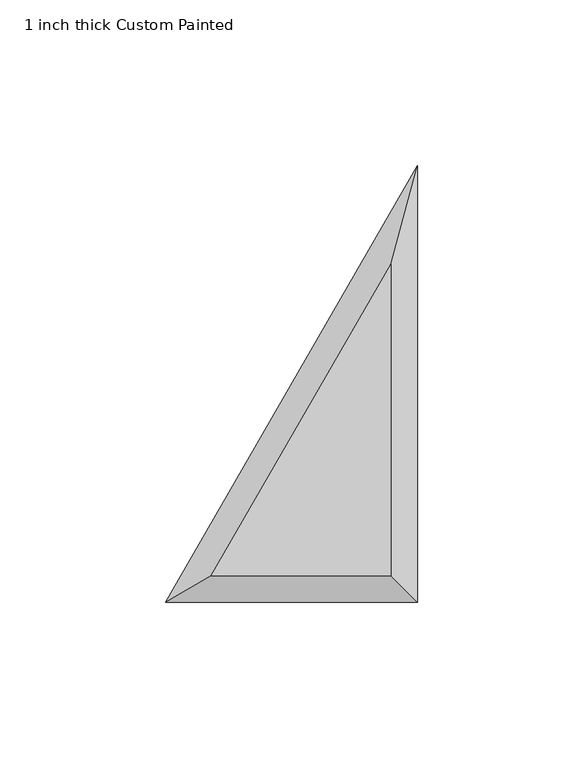
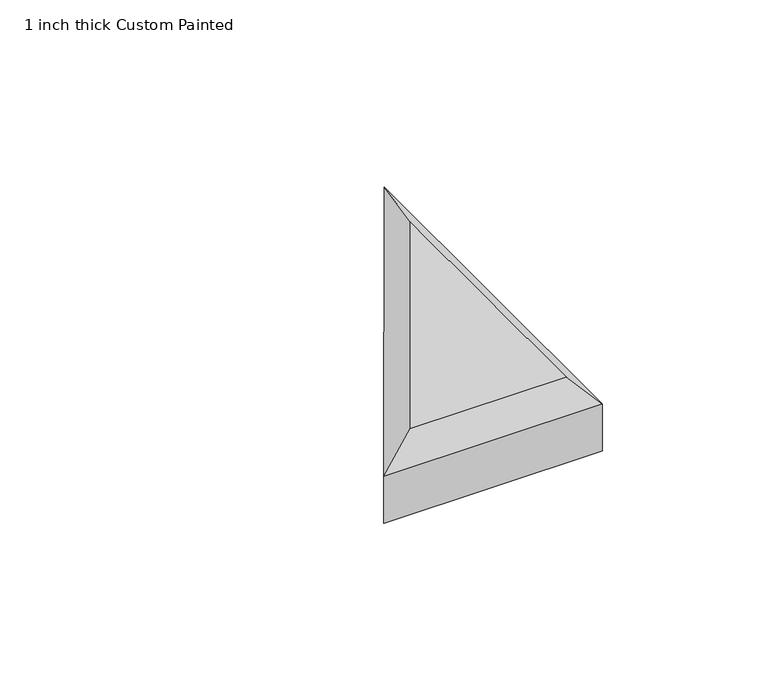
"""IFC4 building model written with IfcOpenShell, lengths in millimetres: proxy geometry, 1 inch thick Custom Painted."""

from ifc_helpers import new_model, si_unit, origin, place, context, project, spatial, faceted_brep, source, transform, mapped, element, save


def proxy_1_inch_thick_custom_painted_023a2791(model_context):
    return source(origin(), model_context, "Body", "Brep", [
        faceted_brep([(-8.001, 8.001, 25.4), (-8.001, 102.122133, 25.4), (-62.3418615, 8.001, 25.4), (-76.2, 0.0, 0.0), (0.0, 131.9822715, 0.0), (0.0, 0.0, 0.0), (0.0, 0.0, 17.399), (-76.2, 0.0, 17.399), (0.0, 131.9822715, 17.399)], [[[0, 1, 2]], [[3, 4, 5]], [[3, 5, 6, 7]], [[4, 3, 7, 8]], [[5, 4, 8, 6]], [[0, 6, 8, 1]], [[6, 0, 2, 7]], [[1, 8, 7, 2]]]),
    ])


if __name__ == "__main__":
    model = new_model("IFC4")
    model_context = context("Model", 3, world=origin())
    ifc_project = project(units=[si_unit("LENGTHUNIT", "METRE", prefix="MILLI")], contexts=[model_context])
    site = spatial("IfcSite", under=ifc_project)
    building = spatial("IfcBuilding", under=site)
    placement = place(None, origin())
    proxy_1_inch_thick_custom_painted_shape = proxy_1_inch_thick_custom_painted_023a2791(model_context)
    element("IfcBuildingElementProxy", 1, Name="1 inch thick Custom Painted", ObjectType="1 inch thick Custom Painted", at=placement, inside=building, context=model_context, shape_type="MappedRepresentation", body=[
        mapped(proxy_1_inch_thick_custom_painted_shape, transform((0.0, 0.0, 0.0), x_axis=(1.0, 0.0, 0.0), y_axis=(0.0, 1.0, 0.0), z_axis=(0.0, 0.0, 1.0))),
    ])
    save(model, "model.ifc")
